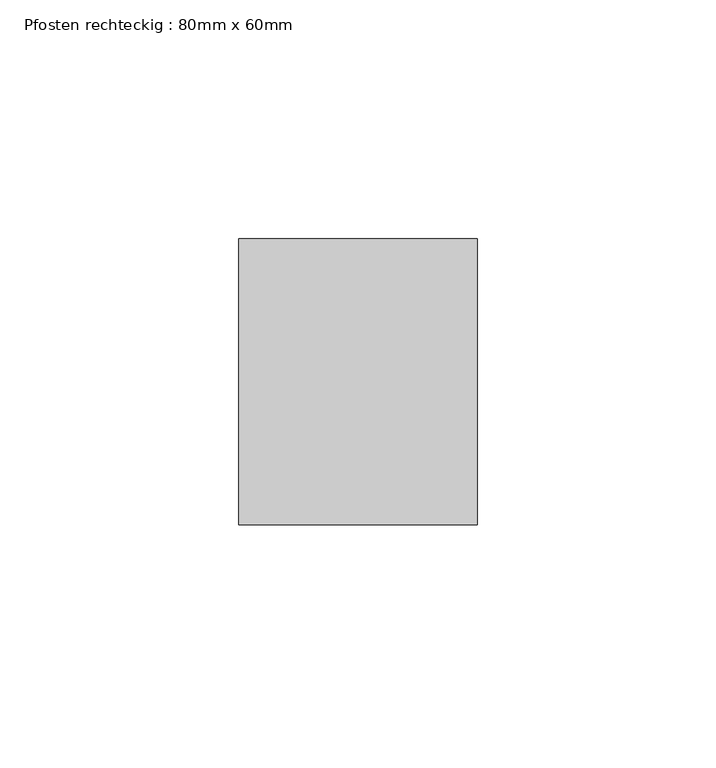
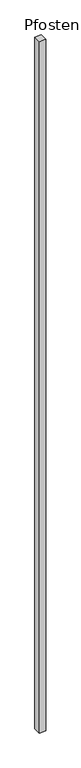
"""IFC4 building model written with IfcOpenShell, lengths in millimetres: member geometry, Pfosten rechteckig : 80mm x 60mm."""

import ifcopenshell
import ifcopenshell.guid

model = None  # the IFC model being written
_history = None  # IfcOwnerHistory: only IFC2X3 demands one
_inside = {}  # id of a spatial element -> (the spatial element, [elements in it])
_under = {}  # id of a project, library or spatial element -> (it, [spatial elements below it])
_declared = {}  # id of a project -> (the project, [libraries it declares])
_typed = {}  # id of a type object -> (the type object, [elements of that type])
_made_of = {}  # id of a material, layer set ... -> (it, [elements and type objects made of it])


def new_model(schema):
    """Start an empty IFC model of exactly this schema.

    Asked for "IFC4X3", IfcOpenShell would pick the latest addendum, in which some entities
    have other attributes; the version numbers below select the first issue.
    IFC2X3 requires an IfcOwnerHistory on every rooted entity: one is made here for all.
    """
    global model, _history
    if schema == "IFC4X3":
        model = ifcopenshell.file(schema_version=(4, 3, 0, 0))
    else:
        model = ifcopenshell.file(schema=schema)
    _inside.clear()
    _under.clear()
    _declared.clear()
    _typed.clear()
    _made_of.clear()
    _history = None
    if model.schema == "IFC2X3":
        org = make("IfcOrganization", Name="unknown")
        user = make(
            "IfcPersonAndOrganization",
            ThePerson=make("IfcPerson", FamilyName="unknown"),
            TheOrganization=org,
        )
        app = make(
            "IfcApplication",
            ApplicationDeveloper=org,
            Version="unknown",
            ApplicationFullName="unknown",
            ApplicationIdentifier="unknown",
        )
        _history = make(
            "IfcOwnerHistory",
            OwningUser=user,
            OwningApplication=app,
            ChangeAction="ADDED",
            CreationDate=0,
        )
    return model


def make(cls, **values):
    """One entity of the class cls with the attributes given. An attribute that is None is left unset."""
    return model.create_entity(
        cls, **{name: value for name, value in values.items() if value is not None}
    )


def rooted(cls, **values):
    """An entity with a GlobalId (a new one), such as an element, a storey or a relation."""
    return make(cls, GlobalId=ifcopenshell.guid.new(), OwnerHistory=_history, **values)


def si_unit(unit_type, name, prefix=None):
    """IfcSIUnit, for example si_unit("LENGTHUNIT", "METRE", prefix="MILLI")."""
    return make("IfcSIUnit", UnitType=unit_type, Prefix=prefix, Name=name)


def assignment(units):
    """IfcUnitAssignment: the units of a project."""
    return None if units is None else make("IfcUnitAssignment", Units=units)


def point(xyz):
    """IfcCartesianPoint."""
    return None if xyz is None else make("IfcCartesianPoint", Coordinates=xyz)


def direction(xyz):
    """IfcDirection."""
    return None if xyz is None else make("IfcDirection", DirectionRatios=xyz)


def frame(location, z_axis=None, x_axis=None):
    """IfcAxis2Placement3D, a coordinate frame: its origin and axes. An axis left out is left unset."""
    return make(
        "IfcAxis2Placement3D",
        Location=point(location),
        Axis=direction(z_axis),
        RefDirection=direction(x_axis),
    )


def origin():
    """The frame at (0, 0, 0) with its axes left unset."""
    return frame((0.0, 0.0, 0.0))


def place(relative_to, where):
    """IfcLocalPlacement: puts the frame where relative to a parent placement (None: the world)."""
    return make(
        "IfcLocalPlacement", PlacementRelTo=relative_to, RelativePlacement=where
    )


def context(
    kind, dimensions, precision=None, world=None, true_north=None, identifier=None
):
    """IfcGeometricRepresentationContext, for example the 3D "Model" context."""
    return make(
        "IfcGeometricRepresentationContext",
        ContextIdentifier=identifier,
        ContextType=kind,
        CoordinateSpaceDimension=dimensions,
        Precision=precision,
        WorldCoordinateSystem=world,
        TrueNorth=true_north,
    )


def project(units=None, contexts=None):
    """IfcProject with its units and contexts."""
    return rooted(
        "IfcProject",
        Name="project",
        RepresentationContexts=contexts,
        UnitsInContext=assignment(units),
    )


def spatial(cls, under=None, at=None, **own):
    """A site, building, storey or space (cls), placed at a placement, below another one or the project."""
    s = rooted(cls, ObjectPlacement=at, **own)
    if under is not None:
        _under.setdefault(under.id(), (under, []))[1].append(s)
    return s


def polyline(points):
    """IfcPolyline through the points."""
    return make("IfcPolyline", Points=[point(p) for p in points])


def outline(outer, holes=None, kind="AREA"):
    """IfcArbitraryClosedProfileDef: a profile drawn as a closed curve; with holes, ...WithVoids."""
    if holes is None:
        return make("IfcArbitraryClosedProfileDef", ProfileType=kind, OuterCurve=outer)
    return make(
        "IfcArbitraryProfileDefWithVoids",
        ProfileType=kind,
        OuterCurve=outer,
        InnerCurves=holes,
    )


def extrude(swept, where, along, depth):
    """IfcExtrudedAreaSolid: the profile swept, set in the frame where, extruded along a direction by depth."""
    return make(
        "IfcExtrudedAreaSolid",
        SweptArea=swept,
        Position=where,
        ExtrudedDirection=direction(along),
        Depth=depth,
    )


def shape(context_of_items, identifier, shape_type, items):
    """IfcShapeRepresentation: the items that make up one representation, for example the "Body"."""
    return make(
        "IfcShapeRepresentation",
        ContextOfItems=context_of_items,
        RepresentationIdentifier=identifier,
        RepresentationType=shape_type,
        Items=items,
    )


def source(mapping_origin, context_of_items, identifier, shape_type, items):
    """IfcRepresentationMap: a shape defined once, which mapped items show again and again."""
    return make(
        "IfcRepresentationMap",
        MappingOrigin=mapping_origin,
        MappedRepresentation=shape(context_of_items, identifier, shape_type, items),
    )


def transform(
    local_origin,
    x_axis=None,
    y_axis=None,
    z_axis=None,
    scale=None,
    scale2=None,
    scale3=None,
    uniform=True,
):
    """IfcCartesianTransformationOperator3D, or its non-uniform kind. x_axis, y_axis, z_axis: its Axis1, 2, 3."""
    if uniform:
        return make(
            "IfcCartesianTransformationOperator3D",
            Axis1=direction(x_axis),
            Axis2=direction(y_axis),
            LocalOrigin=point(local_origin),
            Scale=scale,
            Axis3=direction(z_axis),
        )
    return make(
        "IfcCartesianTransformationOperator3DnonUniform",
        Axis1=direction(x_axis),
        Axis2=direction(y_axis),
        LocalOrigin=point(local_origin),
        Scale=scale,
        Axis3=direction(z_axis),
        Scale2=scale2,
        Scale3=scale3,
    )


def mapped(mapping_source, mapping_target):
    """IfcMappedItem: shows the shape of a source again, moved by a transform."""
    return make(
        "IfcMappedItem", MappingSource=mapping_source, MappingTarget=mapping_target
    )


def made_of(thing, what):
    """Note that an element or type object is made of a material, layer set ...; save() writes the relation."""
    if what is not None:
        _made_of.setdefault(what.id(), (what, []))[1].append(thing)
    return thing


def element(
    cls,
    number,
    at=None,
    inside=None,
    cuts=None,
    type_object=None,
    material=None,
    context=None,
    identifier="Body",
    shape_type=None,
    held_by="IfcProductDefinitionShape",
    body=None,
    shapes=None,
    **own,
):
    """One element of the class cls, such as IfcWall. Its Tag is "e" and its number.

    at: its placement. inside: the storey or other place that contains it. cuts: it is an
    opening in that element (IfcRelVoidsElement). A single representation is given by context,
    identifier, shape_type and body (its items); several are given by shapes. held_by: the class
    of the entity that holds the representations. save() writes the other relations.
    """
    e = rooted(cls, Tag="e%d" % number, ObjectPlacement=at, **own)
    if body is not None:
        shapes = [shape(context, identifier, shape_type, body)]
    if shapes is not None:
        e.Representation = make(held_by, Representations=shapes)
    if inside is not None:
        _inside.setdefault(inside.id(), (inside, []))[1].append(e)
    if cuts is not None:
        rooted(
            "IfcRelVoidsElement", RelatingBuildingElement=cuts, RelatedOpeningElement=e
        )
    if type_object is not None:
        _typed.setdefault(type_object.id(), (type_object, []))[1].append(e)
    return made_of(e, material)


def aggregate(whole, parts):
    """IfcRelAggregates: a whole, such as a stair, and the parts it consists of."""
    return rooted("IfcRelAggregates", RelatingObject=whole, RelatedObjects=parts)


def save(model, path):
    """Write the relations noted so far, then the file.

    IfcRelAggregates (storeys below a building ...), IfcRelContainedInSpatialStructure (elements
    in a storey), IfcRelDefinesByType, IfcRelAssociatesMaterial and IfcRelDeclares: one each for
    every whole, place, type object, material and project.
    """
    for whole, parts in _under.values():
        aggregate(whole, parts)
    for where, things in _inside.values():
        rooted(
            "IfcRelContainedInSpatialStructure",
            RelatedElements=things,
            RelatingStructure=where,
        )
    for kind, things in _typed.values():
        rooted("IfcRelDefinesByType", RelatedObjects=things, RelatingType=kind)
    for what, things in _made_of.values():
        rooted("IfcRelAssociatesMaterial", RelatedObjects=things, RelatingMaterial=what)
    for by, libraries in _declared.values():
        rooted("IfcRelDeclares", RelatingContext=by, RelatedDefinitions=libraries)
    model.write(path)


def pfosten_rechteckig_80mm_x_60mm_3e47cf42(model_context):
    return source(origin(), model_context, "Body", "SweptSolid", [
        extrude(outline(polyline([(0.0, 30.0), (0.0, -30.0), (-50.0, -30.0), (-50.0, 30.0), (0.0, 30.0)])), frame((0.0, 0.0, -5605.0), z_axis=(0.0, 0.0, 1.0), x_axis=(1.0, 0.0, 0.0)), (0.0, 0.0, 1.0), 5605.0),
    ])


if __name__ == "__main__":
    model = new_model("IFC4")
    model_context = context("Model", 3, world=origin())
    ifc_project = project(units=[si_unit("LENGTHUNIT", "METRE", prefix="MILLI")], contexts=[model_context])
    site = spatial("IfcSite", under=ifc_project)
    building = spatial("IfcBuilding", under=site)
    placement = place(None, origin())
    pfosten_rechteckig_80mm_x_60mm_shape = pfosten_rechteckig_80mm_x_60mm_3e47cf42(model_context)
    element("IfcMember", 1, ObjectType="Pfosten rechteckig : 80mm x 60mm", at=placement, inside=building, context=model_context, shape_type="MappedRepresentation", body=[
        mapped(pfosten_rechteckig_80mm_x_60mm_shape, transform((0.0, 0.0, 0.0), x_axis=(1.0, 0.0, 0.0), y_axis=(0.0, 1.0, 0.0), z_axis=(0.0, 0.0, 1.0))),
    ])
    save(model, "model.ifc")
